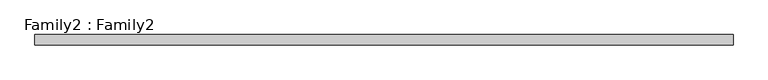
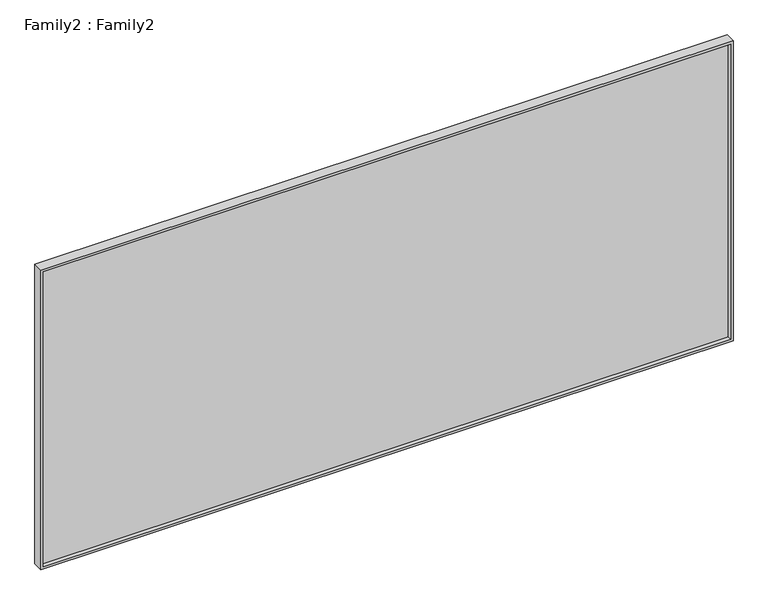
"""IFC4 building model written with IfcOpenShell, lengths in millimetres: plate geometry, Family2 : Family2."""

import ifcopenshell
import ifcopenshell.guid

model = None  # the IFC model being written
_history = None  # IfcOwnerHistory: only IFC2X3 demands one
_inside = {}  # id of a spatial element -> (the spatial element, [elements in it])
_under = {}  # id of a project, library or spatial element -> (it, [spatial elements below it])
_declared = {}  # id of a project -> (the project, [libraries it declares])
_typed = {}  # id of a type object -> (the type object, [elements of that type])
_made_of = {}  # id of a material, layer set ... -> (it, [elements and type objects made of it])


def new_model(schema):
    """Start an empty IFC model of exactly this schema.

    Asked for "IFC4X3", IfcOpenShell would pick the latest addendum, in which some entities
    have other attributes; the version numbers below select the first issue.
    IFC2X3 requires an IfcOwnerHistory on every rooted entity: one is made here for all.
    """
    global model, _history
    if schema == "IFC4X3":
        model = ifcopenshell.file(schema_version=(4, 3, 0, 0))
    else:
        model = ifcopenshell.file(schema=schema)
    _inside.clear()
    _under.clear()
    _declared.clear()
    _typed.clear()
    _made_of.clear()
    _history = None
    if model.schema == "IFC2X3":
        org = make("IfcOrganization", Name="unknown")
        user = make(
            "IfcPersonAndOrganization",
            ThePerson=make("IfcPerson", FamilyName="unknown"),
            TheOrganization=org,
        )
        app = make(
            "IfcApplication",
            ApplicationDeveloper=org,
            Version="unknown",
            ApplicationFullName="unknown",
            ApplicationIdentifier="unknown",
        )
        _history = make(
            "IfcOwnerHistory",
            OwningUser=user,
            OwningApplication=app,
            ChangeAction="ADDED",
            CreationDate=0,
        )
    return model


def make(cls, **values):
    """One entity of the class cls with the attributes given. An attribute that is None is left unset."""
    return model.create_entity(
        cls, **{name: value for name, value in values.items() if value is not None}
    )


def rooted(cls, **values):
    """An entity with a GlobalId (a new one), such as an element, a storey or a relation."""
    return make(cls, GlobalId=ifcopenshell.guid.new(), OwnerHistory=_history, **values)


def si_unit(unit_type, name, prefix=None):
    """IfcSIUnit, for example si_unit("LENGTHUNIT", "METRE", prefix="MILLI")."""
    return make("IfcSIUnit", UnitType=unit_type, Prefix=prefix, Name=name)


def assignment(units):
    """IfcUnitAssignment: the units of a project."""
    return None if units is None else make("IfcUnitAssignment", Units=units)


def point(xyz):
    """IfcCartesianPoint."""
    return None if xyz is None else make("IfcCartesianPoint", Coordinates=xyz)


def direction(xyz):
    """IfcDirection."""
    return None if xyz is None else make("IfcDirection", DirectionRatios=xyz)


def frame(location, z_axis=None, x_axis=None):
    """IfcAxis2Placement3D, a coordinate frame: its origin and axes. An axis left out is left unset."""
    return make(
        "IfcAxis2Placement3D",
        Location=point(location),
        Axis=direction(z_axis),
        RefDirection=direction(x_axis),
    )


def origin():
    """The frame at (0, 0, 0) with its axes left unset."""
    return frame((0.0, 0.0, 0.0))


def place(relative_to, where):
    """IfcLocalPlacement: puts the frame where relative to a parent placement (None: the world)."""
    return make(
        "IfcLocalPlacement", PlacementRelTo=relative_to, RelativePlacement=where
    )


def context(
    kind, dimensions, precision=None, world=None, true_north=None, identifier=None
):
    """IfcGeometricRepresentationContext, for example the 3D "Model" context."""
    return make(
        "IfcGeometricRepresentationContext",
        ContextIdentifier=identifier,
        ContextType=kind,
        CoordinateSpaceDimension=dimensions,
        Precision=precision,
        WorldCoordinateSystem=world,
        TrueNorth=true_north,
    )


def project(units=None, contexts=None):
    """IfcProject with its units and contexts."""
    return rooted(
        "IfcProject",
        Name="project",
        RepresentationContexts=contexts,
        UnitsInContext=assignment(units),
    )


def spatial(cls, under=None, at=None, **own):
    """A site, building, storey or space (cls), placed at a placement, below another one or the project."""
    s = rooted(cls, ObjectPlacement=at, **own)
    if under is not None:
        _under.setdefault(under.id(), (under, []))[1].append(s)
    return s


def polyline(points):
    """IfcPolyline through the points."""
    return make("IfcPolyline", Points=[point(p) for p in points])


def outline(outer, holes=None, kind="AREA"):
    """IfcArbitraryClosedProfileDef: a profile drawn as a closed curve; with holes, ...WithVoids."""
    if holes is None:
        return make("IfcArbitraryClosedProfileDef", ProfileType=kind, OuterCurve=outer)
    return make(
        "IfcArbitraryProfileDefWithVoids",
        ProfileType=kind,
        OuterCurve=outer,
        InnerCurves=holes,
    )


def extrude(swept, where, along, depth):
    """IfcExtrudedAreaSolid: the profile swept, set in the frame where, extruded along a direction by depth."""
    return make(
        "IfcExtrudedAreaSolid",
        SweptArea=swept,
        Position=where,
        ExtrudedDirection=direction(along),
        Depth=depth,
    )


def shape(context_of_items, identifier, shape_type, items):
    """IfcShapeRepresentation: the items that make up one representation, for example the "Body"."""
    return make(
        "IfcShapeRepresentation",
        ContextOfItems=context_of_items,
        RepresentationIdentifier=identifier,
        RepresentationType=shape_type,
        Items=items,
    )


def source(mapping_origin, context_of_items, identifier, shape_type, items):
    """IfcRepresentationMap: a shape defined once, which mapped items show again and again."""
    return make(
        "IfcRepresentationMap",
        MappingOrigin=mapping_origin,
        MappedRepresentation=shape(context_of_items, identifier, shape_type, items),
    )


def transform(
    local_origin,
    x_axis=None,
    y_axis=None,
    z_axis=None,
    scale=None,
    scale2=None,
    scale3=None,
    uniform=True,
):
    """IfcCartesianTransformationOperator3D, or its non-uniform kind. x_axis, y_axis, z_axis: its Axis1, 2, 3."""
    if uniform:
        return make(
            "IfcCartesianTransformationOperator3D",
            Axis1=direction(x_axis),
            Axis2=direction(y_axis),
            LocalOrigin=point(local_origin),
            Scale=scale,
            Axis3=direction(z_axis),
        )
    return make(
        "IfcCartesianTransformationOperator3DnonUniform",
        Axis1=direction(x_axis),
        Axis2=direction(y_axis),
        LocalOrigin=point(local_origin),
        Scale=scale,
        Axis3=direction(z_axis),
        Scale2=scale2,
        Scale3=scale3,
    )


def mapped(mapping_source, mapping_target):
    """IfcMappedItem: shows the shape of a source again, moved by a transform."""
    return make(
        "IfcMappedItem", MappingSource=mapping_source, MappingTarget=mapping_target
    )


def made_of(thing, what):
    """Note that an element or type object is made of a material, layer set ...; save() writes the relation."""
    if what is not None:
        _made_of.setdefault(what.id(), (what, []))[1].append(thing)
    return thing


def element(
    cls,
    number,
    at=None,
    inside=None,
    cuts=None,
    type_object=None,
    material=None,
    context=None,
    identifier="Body",
    shape_type=None,
    held_by="IfcProductDefinitionShape",
    body=None,
    shapes=None,
    **own,
):
    """One element of the class cls, such as IfcWall. Its Tag is "e" and its number.

    at: its placement. inside: the storey or other place that contains it. cuts: it is an
    opening in that element (IfcRelVoidsElement). A single representation is given by context,
    identifier, shape_type and body (its items); several are given by shapes. held_by: the class
    of the entity that holds the representations. save() writes the other relations.
    """
    e = rooted(cls, Tag="e%d" % number, ObjectPlacement=at, **own)
    if body is not None:
        shapes = [shape(context, identifier, shape_type, body)]
    if shapes is not None:
        e.Representation = make(held_by, Representations=shapes)
    if inside is not None:
        _inside.setdefault(inside.id(), (inside, []))[1].append(e)
    if cuts is not None:
        rooted(
            "IfcRelVoidsElement", RelatingBuildingElement=cuts, RelatedOpeningElement=e
        )
    if type_object is not None:
        _typed.setdefault(type_object.id(), (type_object, []))[1].append(e)
    return made_of(e, material)


def aggregate(whole, parts):
    """IfcRelAggregates: a whole, such as a stair, and the parts it consists of."""
    return rooted("IfcRelAggregates", RelatingObject=whole, RelatedObjects=parts)


def save(model, path):
    """Write the relations noted so far, then the file.

    IfcRelAggregates (storeys below a building ...), IfcRelContainedInSpatialStructure (elements
    in a storey), IfcRelDefinesByType, IfcRelAssociatesMaterial and IfcRelDeclares: one each for
    every whole, place, type object, material and project.
    """
    for whole, parts in _under.values():
        aggregate(whole, parts)
    for where, things in _inside.values():
        rooted(
            "IfcRelContainedInSpatialStructure",
            RelatedElements=things,
            RelatingStructure=where,
        )
    for kind, things in _typed.values():
        rooted("IfcRelDefinesByType", RelatedObjects=things, RelatingType=kind)
    for what, things in _made_of.values():
        rooted("IfcRelAssociatesMaterial", RelatedObjects=things, RelatingMaterial=what)
    for by, libraries in _declared.values():
        rooted("IfcRelDeclares", RelatingContext=by, RelatedDefinitions=libraries)
    model.write(path)


def family2_family2_bd233118(model_context):
    return source(origin(), model_context, "Body", "SweptSolid", [
        extrude(outline(polyline([(2450.0, -2675.0), (0.0, -2675.0), (0.0, 2675.0), (2450.0, 2675.0), (2450.0, -2675.0)]), holes=[polyline([(20.0, -2655.0), (2430.0, -2655.0), (2430.0, 2655.0), (20.0, 2655.0), (20.0, -2655.0)])]), frame((0.0, -40.0, 0.0), z_axis=(0.0, 1.0, 0.0), x_axis=(0.0, 0.0, 1.0)), (0.0, 0.0, 1.0), 80.0),
        extrude(outline(polyline([(2655.0, -10.0), (-2655.0, -10.0), (-2655.0, 10.0), (2655.0, 10.0), (2655.0, -10.0)])), frame((0.0, 0.0, 20.0), z_axis=(0.0, 0.0, 1.0), x_axis=(1.0, 0.0, 0.0)), (0.0, 0.0, 1.0), 2410.0),
    ])


if __name__ == "__main__":
    model = new_model("IFC4")
    model_context = context("Model", 3, world=origin())
    ifc_project = project(units=[si_unit("LENGTHUNIT", "METRE", prefix="MILLI")], contexts=[model_context])
    site = spatial("IfcSite", under=ifc_project)
    building = spatial("IfcBuilding", under=site)
    placement = place(None, origin())
    family2_family2_shape = family2_family2_bd233118(model_context)
    element("IfcPlate", 1, ObjectType="Family2 : Family2", at=placement, inside=building, context=model_context, shape_type="MappedRepresentation", body=[
        mapped(family2_family2_shape, transform((0.0, 0.0, 0.0), x_axis=(1.0, 0.0, 0.0), y_axis=(0.0, 1.0, 0.0), z_axis=(0.0, 0.0, 1.0))),
    ])
    save(model, "model.ifc")
